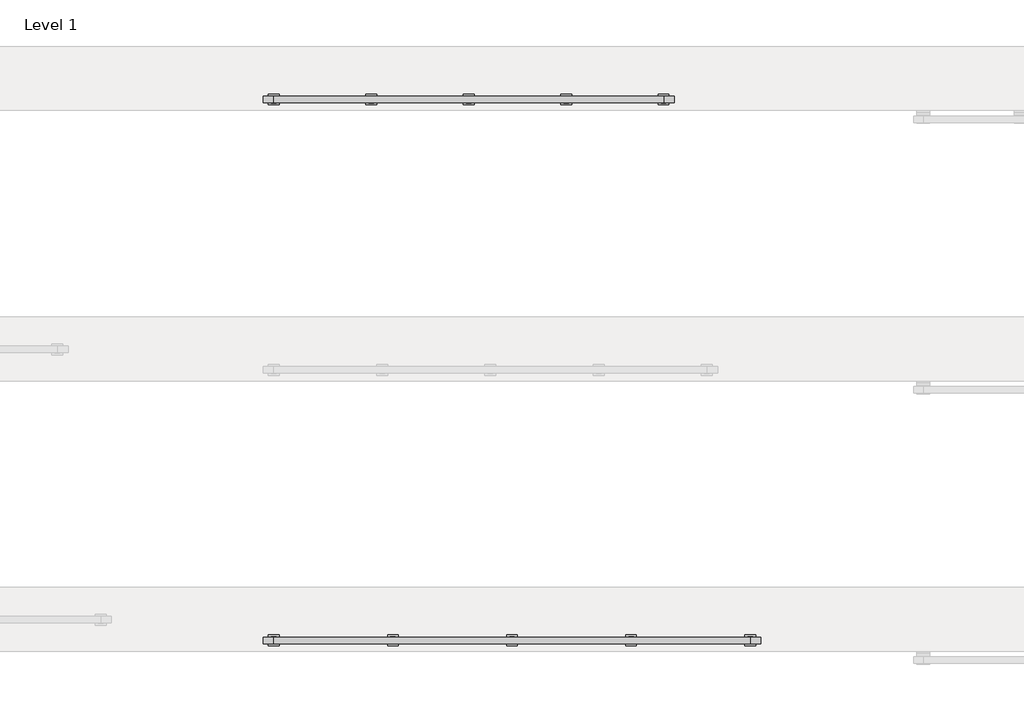
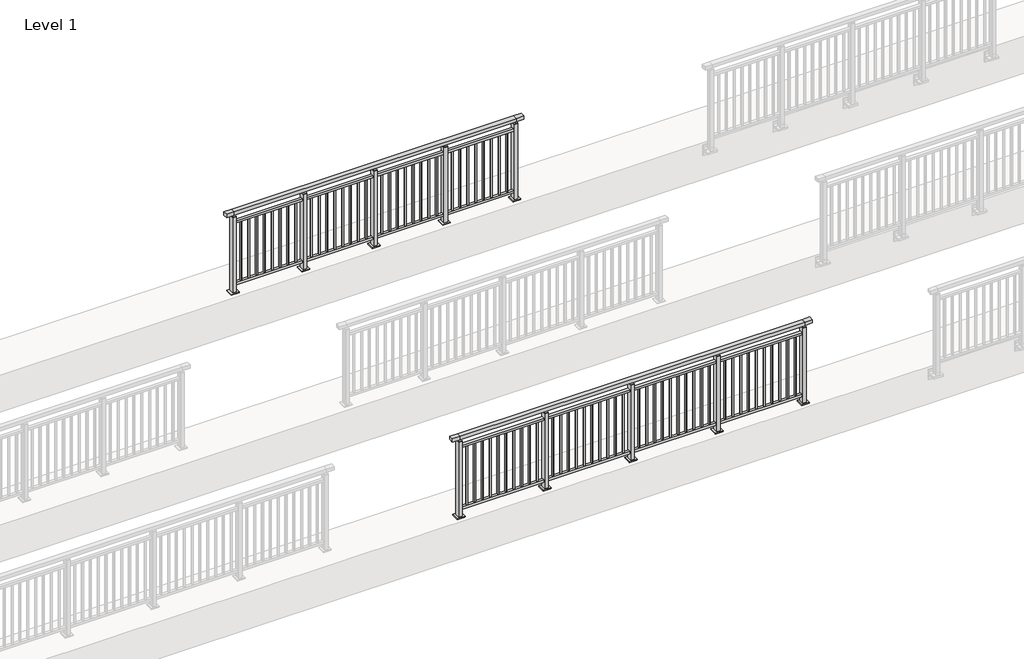
# One storey, part 5 of 37: 2 railings.
"""IFC4 building model written with IfcOpenShell, lengths in millimetres."""

from ifc_helpers import new_model, si_unit, frame, origin, origin_with_axes, place, context, project, spatial, polyline, outline, extrude, faceted_brep, element, save

model = new_model("IFC4")

# Units and contexts
model_context = context("Model", 3, world=origin())
ifc_project = project(units=[si_unit("LENGTHUNIT", "METRE", prefix="MILLI")], contexts=[model_context])

# Site, building, storey
site = spatial("IfcSite", under=ifc_project)
building = spatial("IfcBuilding", under=site)
storey = spatial("IfcBuildingStorey", under=building, Name="Level 1", Elevation=0.0)

# Railings
placement = place(None, origin())
element("IfcRailing", 1, at=placement, inside=storey, context=model_context, shape_type="SolidModel", body=[
    faceted_brep([(6000.0, 30.1846828, 1055.0), (6000.0, 30.1846828, 1100.0), (10400.0, 30.1846828, 1100.0), (10400.0, 30.1846828, 1055.0), (6000.0, -29.8153172, 1055.0), (10400.0, -29.8153172, 1055.0), (6000.0, -29.8153172, 1100.0), (10400.0, -29.8153172, 1100.0), (5900.0, 30.1846828, 1100.0), (5900.0, 30.1846828, 1055.0), (5900.0, -29.8153172, 1055.0), (5900.0, -29.8153172, 1100.0), (10500.0, 30.1846828, 1100.0), (10500.0, -29.8153172, 1100.0), (10500.0, -29.8153172, 1055.0), (10500.0, 30.1846828, 1055.0)], [[[0, 1, 2, 3]], [[4, 0, 3, 5]], [[6, 4, 5, 7]], [[1, 6, 7, 2]], [[8, 9, 10, 11]], [[9, 8, 1, 0]], [[10, 9, 0, 4]], [[11, 10, 4, 6]], [[8, 11, 6, 1]], [[12, 13, 14, 15]], [[3, 2, 12, 15]], [[5, 3, 15, 14]], [[7, 5, 14, 13]], [[2, 7, 13, 12]]]),
    extrude(outline(polyline([(6000.0, -17.3153172), (6000.0, 17.6846828), (10400.0, 17.6846828), (10400.0, -17.3153172), (6000.0, -17.3153172)])), frame((0.0, 0.0, 930.0), z_axis=(0.0, 0.0, 1.0), x_axis=(1.0, 0.0, 0.0)), (0.0, 0.0, 1.0), 30.0),
    extrude(outline(polyline([(6000.0, -17.3153172), (6000.0, 17.6846828), (10400.0, 17.6846828), (10400.0, -17.3153172), (6000.0, -17.3153172)])), frame((0.0, 0.0, 95.0), z_axis=(0.0, 0.0, 1.0), x_axis=(1.0, 0.0, 0.0)), (0.0, 0.0, 1.0), 30.0),
    extrude(outline(polyline([(10308.5, 8.6846828), (10308.5, -8.3153172), (10291.5, -8.3153172), (10291.5, 8.6846828), (10308.5, 8.6846828)])), frame((0.0, 0.0, 125.0), z_axis=(0.0, 0.0, 1.0), x_axis=(1.0, 0.0, 0.0)), (0.0, 0.0, 1.0), 805.0),
    extrude(outline(polyline([(10208.5, 8.6846828), (10208.5, -8.3153172), (10191.5, -8.3153172), (10191.5, 8.6846828), (10208.5, 8.6846828)])), frame((0.0, 0.0, 125.0), z_axis=(0.0, 0.0, 1.0), x_axis=(1.0, 0.0, 0.0)), (0.0, 0.0, 1.0), 805.0),
    extrude(outline(polyline([(10108.5, 8.6846828), (10108.5, -8.3153172), (10091.5, -8.3153172), (10091.5, 8.6846828), (10108.5, 8.6846828)])), frame((0.0, 0.0, 125.0), z_axis=(0.0, 0.0, 1.0), x_axis=(1.0, 0.0, 0.0)), (0.0, 0.0, 1.0), 805.0),
    extrude(outline(polyline([(10008.5, 8.6846828), (10008.5, -8.3153172), (9991.5, -8.3153172), (9991.5, 8.6846828), (10008.5, 8.6846828)])), frame((0.0, 0.0, 125.0), z_axis=(0.0, 0.0, 1.0), x_axis=(1.0, 0.0, 0.0)), (0.0, 0.0, 1.0), 805.0),
    extrude(outline(polyline([(9908.5, 8.6846828), (9908.5, -8.3153172), (9891.5, -8.3153172), (9891.5, 8.6846828), (9908.5, 8.6846828)])), frame((0.0, 0.0, 125.0), z_axis=(0.0, 0.0, 1.0), x_axis=(1.0, 0.0, 0.0)), (0.0, 0.0, 1.0), 805.0),
    extrude(outline(polyline([(9808.5, 8.6846828), (9808.5, -8.3153172), (9791.5, -8.3153172), (9791.5, 8.6846828), (9808.5, 8.6846828)])), frame((0.0, 0.0, 125.0), z_axis=(0.0, 0.0, 1.0), x_axis=(1.0, 0.0, 0.0)), (0.0, 0.0, 1.0), 805.0),
    extrude(outline(polyline([(9708.5, 8.6846828), (9708.5, -8.3153172), (9691.5, -8.3153172), (9691.5, 8.6846828), (9708.5, 8.6846828)])), frame((0.0, 0.0, 125.0), z_axis=(0.0, 0.0, 1.0), x_axis=(1.0, 0.0, 0.0)), (0.0, 0.0, 1.0), 805.0),
    extrude(outline(polyline([(9608.5, 8.6846828), (9608.5, -8.3153172), (9591.5, -8.3153172), (9591.5, 8.6846828), (9608.5, 8.6846828)])), frame((0.0, 0.0, 125.0), z_axis=(0.0, 0.0, 1.0), x_axis=(1.0, 0.0, 0.0)), (0.0, 0.0, 1.0), 805.0),
    extrude(outline(polyline([(9508.5, 8.6846828), (9508.5, -8.3153172), (9491.5, -8.3153172), (9491.5, 8.6846828), (9508.5, 8.6846828)])), frame((0.0, 0.0, 125.0), z_axis=(0.0, 0.0, 1.0), x_axis=(1.0, 0.0, 0.0)), (0.0, 0.0, 1.0), 805.0),
    extrude(outline(polyline([(9408.5, 8.6846828), (9408.5, -8.3153172), (9391.5, -8.3153172), (9391.5, 8.6846828), (9408.5, 8.6846828)])), frame((0.0, 0.0, 125.0), z_axis=(0.0, 0.0, 1.0), x_axis=(1.0, 0.0, 0.0)), (0.0, 0.0, 1.0), 805.0),
    extrude(outline(polyline([(9310.0, -9.8153172), (9290.0, -9.8153172), (9290.0, 10.1846828), (9310.0, 10.1846828), (9310.0, -9.8153172)])), frame((0.0, 0.0, 1035.0), z_axis=(0.0, 0.0, 1.0), x_axis=(1.0, 0.0, 0.0)), (0.0, 0.0, 1.0), 20.0),
    extrude(outline(polyline([(9322.5, -32.3153172), (9277.5, -32.3153172), (9277.5, 32.6846828), (9322.5, 32.6846828), (9322.5, -32.3153172)])), frame((0.0, 0.0, 1027.0), z_axis=(0.0, 0.0, 1.0), x_axis=(1.0, 0.0, 0.0)), (0.0, 0.0, 1.0), 8.0),
    extrude(outline(polyline([(9350.0, -49.8153172), (9250.0, -49.8153172), (9250.0, 50.1846828), (9350.0, 50.1846828), (9350.0, -49.8153172)])), origin_with_axes(), (0.0, 0.0, 1.0), 12.0),
    extrude(outline(polyline([(9322.5, -32.3153172), (9277.5, -32.3153172), (9277.5, 32.6846828), (9322.5, 32.6846828), (9322.5, -32.3153172)])), frame((0.0, 0.0, 12.0), z_axis=(0.0, 0.0, 1.0), x_axis=(1.0, 0.0, 0.0)), (0.0, 0.0, 1.0), 1015.0),
    extrude(outline(polyline([(9208.5, 8.6846828), (9208.5, -8.3153172), (9191.5, -8.3153172), (9191.5, 8.6846828), (9208.5, 8.6846828)])), frame((0.0, 0.0, 125.0), z_axis=(0.0, 0.0, 1.0), x_axis=(1.0, 0.0, 0.0)), (0.0, 0.0, 1.0), 805.0),
    extrude(outline(polyline([(9108.5, 8.6846828), (9108.5, -8.3153172), (9091.5, -8.3153172), (9091.5, 8.6846828), (9108.5, 8.6846828)])), frame((0.0, 0.0, 125.0), z_axis=(0.0, 0.0, 1.0), x_axis=(1.0, 0.0, 0.0)), (0.0, 0.0, 1.0), 805.0),
    extrude(outline(polyline([(9008.5, 8.6846828), (9008.5, -8.3153172), (8991.5, -8.3153172), (8991.5, 8.6846828), (9008.5, 8.6846828)])), frame((0.0, 0.0, 125.0), z_axis=(0.0, 0.0, 1.0), x_axis=(1.0, 0.0, 0.0)), (0.0, 0.0, 1.0), 805.0),
    extrude(outline(polyline([(8908.5, 8.6846828), (8908.5, -8.3153172), (8891.5, -8.3153172), (8891.5, 8.6846828), (8908.5, 8.6846828)])), frame((0.0, 0.0, 125.0), z_axis=(0.0, 0.0, 1.0), x_axis=(1.0, 0.0, 0.0)), (0.0, 0.0, 1.0), 805.0),
    extrude(outline(polyline([(8808.5, 8.6846828), (8808.5, -8.3153172), (8791.5, -8.3153172), (8791.5, 8.6846828), (8808.5, 8.6846828)])), frame((0.0, 0.0, 125.0), z_axis=(0.0, 0.0, 1.0), x_axis=(1.0, 0.0, 0.0)), (0.0, 0.0, 1.0), 805.0),
    extrude(outline(polyline([(8708.5, 8.6846828), (8708.5, -8.3153172), (8691.5, -8.3153172), (8691.5, 8.6846828), (8708.5, 8.6846828)])), frame((0.0, 0.0, 125.0), z_axis=(0.0, 0.0, 1.0), x_axis=(1.0, 0.0, 0.0)), (0.0, 0.0, 1.0), 805.0),
    extrude(outline(polyline([(8608.5, 8.6846828), (8608.5, -8.3153172), (8591.5, -8.3153172), (8591.5, 8.6846828), (8608.5, 8.6846828)])), frame((0.0, 0.0, 125.0), z_axis=(0.0, 0.0, 1.0), x_axis=(1.0, 0.0, 0.0)), (0.0, 0.0, 1.0), 805.0),
    extrude(outline(polyline([(8508.5, 8.6846828), (8508.5, -8.3153172), (8491.5, -8.3153172), (8491.5, 8.6846828), (8508.5, 8.6846828)])), frame((0.0, 0.0, 125.0), z_axis=(0.0, 0.0, 1.0), x_axis=(1.0, 0.0, 0.0)), (0.0, 0.0, 1.0), 805.0),
    extrude(outline(polyline([(8408.5, 8.6846828), (8408.5, -8.3153172), (8391.5, -8.3153172), (8391.5, 8.6846828), (8408.5, 8.6846828)])), frame((0.0, 0.0, 125.0), z_axis=(0.0, 0.0, 1.0), x_axis=(1.0, 0.0, 0.0)), (0.0, 0.0, 1.0), 805.0),
    extrude(outline(polyline([(8308.5, 8.6846828), (8308.5, -8.3153172), (8291.5, -8.3153172), (8291.5, 8.6846828), (8308.5, 8.6846828)])), frame((0.0, 0.0, 125.0), z_axis=(0.0, 0.0, 1.0), x_axis=(1.0, 0.0, 0.0)), (0.0, 0.0, 1.0), 805.0),
    extrude(outline(polyline([(8210.0, -9.8153172), (8190.0, -9.8153172), (8190.0, 10.1846828), (8210.0, 10.1846828), (8210.0, -9.8153172)])), frame((0.0, 0.0, 1035.0), z_axis=(0.0, 0.0, 1.0), x_axis=(1.0, 0.0, 0.0)), (0.0, 0.0, 1.0), 20.0),
    extrude(outline(polyline([(8222.5, -32.3153172), (8177.5, -32.3153172), (8177.5, 32.6846828), (8222.5, 32.6846828), (8222.5, -32.3153172)])), frame((0.0, 0.0, 1027.0), z_axis=(0.0, 0.0, 1.0), x_axis=(1.0, 0.0, 0.0)), (0.0, 0.0, 1.0), 8.0),
    extrude(outline(polyline([(8250.0, -49.8153172), (8150.0, -49.8153172), (8150.0, 50.1846828), (8250.0, 50.1846828), (8250.0, -49.8153172)])), origin_with_axes(), (0.0, 0.0, 1.0), 12.0),
    extrude(outline(polyline([(8222.5, -32.3153172), (8177.5, -32.3153172), (8177.5, 32.6846828), (8222.5, 32.6846828), (8222.5, -32.3153172)])), frame((0.0, 0.0, 12.0), z_axis=(0.0, 0.0, 1.0), x_axis=(1.0, 0.0, 0.0)), (0.0, 0.0, 1.0), 1015.0),
    extrude(outline(polyline([(8108.5, 8.6846828), (8108.5, -8.3153172), (8091.5, -8.3153172), (8091.5, 8.6846828), (8108.5, 8.6846828)])), frame((0.0, 0.0, 125.0), z_axis=(0.0, 0.0, 1.0), x_axis=(1.0, 0.0, 0.0)), (0.0, 0.0, 1.0), 805.0),
    extrude(outline(polyline([(8008.5, 8.6846828), (8008.5, -8.3153172), (7991.5, -8.3153172), (7991.5, 8.6846828), (8008.5, 8.6846828)])), frame((0.0, 0.0, 125.0), z_axis=(0.0, 0.0, 1.0), x_axis=(1.0, 0.0, 0.0)), (0.0, 0.0, 1.0), 805.0),
    extrude(outline(polyline([(7908.5, 8.6846828), (7908.5, -8.3153172), (7891.5, -8.3153172), (7891.5, 8.6846828), (7908.5, 8.6846828)])), frame((0.0, 0.0, 125.0), z_axis=(0.0, 0.0, 1.0), x_axis=(1.0, 0.0, 0.0)), (0.0, 0.0, 1.0), 805.0),
    extrude(outline(polyline([(7808.5, 8.6846828), (7808.5, -8.3153172), (7791.5, -8.3153172), (7791.5, 8.6846828), (7808.5, 8.6846828)])), frame((0.0, 0.0, 125.0), z_axis=(0.0, 0.0, 1.0), x_axis=(1.0, 0.0, 0.0)), (0.0, 0.0, 1.0), 805.0),
    extrude(outline(polyline([(7708.5, 8.6846828), (7708.5, -8.3153172), (7691.5, -8.3153172), (7691.5, 8.6846828), (7708.5, 8.6846828)])), frame((0.0, 0.0, 125.0), z_axis=(0.0, 0.0, 1.0), x_axis=(1.0, 0.0, 0.0)), (0.0, 0.0, 1.0), 805.0),
    extrude(outline(polyline([(7608.5, 8.6846828), (7608.5, -8.3153172), (7591.5, -8.3153172), (7591.5, 8.6846828), (7608.5, 8.6846828)])), frame((0.0, 0.0, 125.0), z_axis=(0.0, 0.0, 1.0), x_axis=(1.0, 0.0, 0.0)), (0.0, 0.0, 1.0), 805.0),
    extrude(outline(polyline([(7508.5, 8.6846828), (7508.5, -8.3153172), (7491.5, -8.3153172), (7491.5, 8.6846828), (7508.5, 8.6846828)])), frame((0.0, 0.0, 125.0), z_axis=(0.0, 0.0, 1.0), x_axis=(1.0, 0.0, 0.0)), (0.0, 0.0, 1.0), 805.0),
    extrude(outline(polyline([(7408.5, 8.6846828), (7408.5, -8.3153172), (7391.5, -8.3153172), (7391.5, 8.6846828), (7408.5, 8.6846828)])), frame((0.0, 0.0, 125.0), z_axis=(0.0, 0.0, 1.0), x_axis=(1.0, 0.0, 0.0)), (0.0, 0.0, 1.0), 805.0),
    extrude(outline(polyline([(7308.5, 8.6846828), (7308.5, -8.3153172), (7291.5, -8.3153172), (7291.5, 8.6846828), (7308.5, 8.6846828)])), frame((0.0, 0.0, 125.0), z_axis=(0.0, 0.0, 1.0), x_axis=(1.0, 0.0, 0.0)), (0.0, 0.0, 1.0), 805.0),
    extrude(outline(polyline([(7208.5, 8.6846828), (7208.5, -8.3153172), (7191.5, -8.3153172), (7191.5, 8.6846828), (7208.5, 8.6846828)])), frame((0.0, 0.0, 125.0), z_axis=(0.0, 0.0, 1.0), x_axis=(1.0, 0.0, 0.0)), (0.0, 0.0, 1.0), 805.0),
    extrude(outline(polyline([(7110.0, -9.8153172), (7090.0, -9.8153172), (7090.0, 10.1846828), (7110.0, 10.1846828), (7110.0, -9.8153172)])), frame((0.0, 0.0, 1035.0), z_axis=(0.0, 0.0, 1.0), x_axis=(1.0, 0.0, 0.0)), (0.0, 0.0, 1.0), 20.0),
    extrude(outline(polyline([(7122.5, -32.3153172), (7077.5, -32.3153172), (7077.5, 32.6846828), (7122.5, 32.6846828), (7122.5, -32.3153172)])), frame((0.0, 0.0, 1027.0), z_axis=(0.0, 0.0, 1.0), x_axis=(1.0, 0.0, 0.0)), (0.0, 0.0, 1.0), 8.0),
    extrude(outline(polyline([(7150.0, -49.8153172), (7050.0, -49.8153172), (7050.0, 50.1846828), (7150.0, 50.1846828), (7150.0, -49.8153172)])), origin_with_axes(), (0.0, 0.0, 1.0), 12.0),
    extrude(outline(polyline([(7122.5, -32.3153172), (7077.5, -32.3153172), (7077.5, 32.6846828), (7122.5, 32.6846828), (7122.5, -32.3153172)])), frame((0.0, 0.0, 12.0), z_axis=(0.0, 0.0, 1.0), x_axis=(1.0, 0.0, 0.0)), (0.0, 0.0, 1.0), 1015.0),
    extrude(outline(polyline([(7008.5, 8.6846828), (7008.5, -8.3153172), (6991.5, -8.3153172), (6991.5, 8.6846828), (7008.5, 8.6846828)])), frame((0.0, 0.0, 125.0), z_axis=(0.0, 0.0, 1.0), x_axis=(1.0, 0.0, 0.0)), (0.0, 0.0, 1.0), 805.0),
    extrude(outline(polyline([(6908.5, 8.6846828), (6908.5, -8.3153172), (6891.5, -8.3153172), (6891.5, 8.6846828), (6908.5, 8.6846828)])), frame((0.0, 0.0, 125.0), z_axis=(0.0, 0.0, 1.0), x_axis=(1.0, 0.0, 0.0)), (0.0, 0.0, 1.0), 805.0),
    extrude(outline(polyline([(6808.5, 8.6846828), (6808.5, -8.3153172), (6791.5, -8.3153172), (6791.5, 8.6846828), (6808.5, 8.6846828)])), frame((0.0, 0.0, 125.0), z_axis=(0.0, 0.0, 1.0), x_axis=(1.0, 0.0, 0.0)), (0.0, 0.0, 1.0), 805.0),
    extrude(outline(polyline([(6708.5, 8.6846828), (6708.5, -8.3153172), (6691.5, -8.3153172), (6691.5, 8.6846828), (6708.5, 8.6846828)])), frame((0.0, 0.0, 125.0), z_axis=(0.0, 0.0, 1.0), x_axis=(1.0, 0.0, 0.0)), (0.0, 0.0, 1.0), 805.0),
    extrude(outline(polyline([(6608.5, 8.6846828), (6608.5, -8.3153172), (6591.5, -8.3153172), (6591.5, 8.6846828), (6608.5, 8.6846828)])), frame((0.0, 0.0, 125.0), z_axis=(0.0, 0.0, 1.0), x_axis=(1.0, 0.0, 0.0)), (0.0, 0.0, 1.0), 805.0),
    extrude(outline(polyline([(6508.5, 8.6846828), (6508.5, -8.3153172), (6491.5, -8.3153172), (6491.5, 8.6846828), (6508.5, 8.6846828)])), frame((0.0, 0.0, 125.0), z_axis=(0.0, 0.0, 1.0), x_axis=(1.0, 0.0, 0.0)), (0.0, 0.0, 1.0), 805.0),
    extrude(outline(polyline([(6408.5, 8.6846828), (6408.5, -8.3153172), (6391.5, -8.3153172), (6391.5, 8.6846828), (6408.5, 8.6846828)])), frame((0.0, 0.0, 125.0), z_axis=(0.0, 0.0, 1.0), x_axis=(1.0, 0.0, 0.0)), (0.0, 0.0, 1.0), 805.0),
    extrude(outline(polyline([(6308.5, 8.6846828), (6308.5, -8.3153172), (6291.5, -8.3153172), (6291.5, 8.6846828), (6308.5, 8.6846828)])), frame((0.0, 0.0, 125.0), z_axis=(0.0, 0.0, 1.0), x_axis=(1.0, 0.0, 0.0)), (0.0, 0.0, 1.0), 805.0),
    extrude(outline(polyline([(6208.5, 8.6846828), (6208.5, -8.3153172), (6191.5, -8.3153172), (6191.5, 8.6846828), (6208.5, 8.6846828)])), frame((0.0, 0.0, 125.0), z_axis=(0.0, 0.0, 1.0), x_axis=(1.0, 0.0, 0.0)), (0.0, 0.0, 1.0), 805.0),
    extrude(outline(polyline([(6108.5, 8.6846828), (6108.5, -8.3153172), (6091.5, -8.3153172), (6091.5, 8.6846828), (6108.5, 8.6846828)])), frame((0.0, 0.0, 125.0), z_axis=(0.0, 0.0, 1.0), x_axis=(1.0, 0.0, 0.0)), (0.0, 0.0, 1.0), 805.0),
    extrude(outline(polyline([(10410.0, -9.8153172), (10390.0, -9.8153172), (10390.0, 10.1846828), (10410.0, 10.1846828), (10410.0, -9.8153172)])), frame((0.0, 0.0, 1035.0), z_axis=(0.0, 0.0, 1.0), x_axis=(1.0, 0.0, 0.0)), (0.0, 0.0, 1.0), 20.0),
    extrude(outline(polyline([(10422.5, -32.3153172), (10377.5, -32.3153172), (10377.5, 32.6846828), (10422.5, 32.6846828), (10422.5, -32.3153172)])), frame((0.0, 0.0, 1027.0), z_axis=(0.0, 0.0, 1.0), x_axis=(1.0, 0.0, 0.0)), (0.0, 0.0, 1.0), 8.0),
    extrude(outline(polyline([(10450.0, -49.8153172), (10350.0, -49.8153172), (10350.0, 50.1846828), (10450.0, 50.1846828), (10450.0, -49.8153172)])), origin_with_axes(), (0.0, 0.0, 1.0), 12.0),
    extrude(outline(polyline([(10422.5, -32.3153172), (10377.5, -32.3153172), (10377.5, 32.6846828), (10422.5, 32.6846828), (10422.5, -32.3153172)])), frame((0.0, 0.0, 12.0), z_axis=(0.0, 0.0, 1.0), x_axis=(1.0, 0.0, 0.0)), (0.0, 0.0, 1.0), 1015.0),
    extrude(outline(polyline([(6010.0, -9.8153172), (5990.0, -9.8153172), (5990.0, 10.1846828), (6010.0, 10.1846828), (6010.0, -9.8153172)])), frame((0.0, 0.0, 1035.0), z_axis=(0.0, 0.0, 1.0), x_axis=(1.0, 0.0, 0.0)), (0.0, 0.0, 1.0), 20.0),
    extrude(outline(polyline([(6022.5, -32.3153172), (5977.5, -32.3153172), (5977.5, 32.6846828), (6022.5, 32.6846828), (6022.5, -32.3153172)])), frame((0.0, 0.0, 1027.0), z_axis=(0.0, 0.0, 1.0), x_axis=(1.0, 0.0, 0.0)), (0.0, 0.0, 1.0), 8.0),
    extrude(outline(polyline([(6050.0, -49.8153172), (5950.0, -49.8153172), (5950.0, 50.1846828), (6050.0, 50.1846828), (6050.0, -49.8153172)])), origin_with_axes(), (0.0, 0.0, 1.0), 12.0),
    extrude(outline(polyline([(6022.5, -32.3153172), (5977.5, -32.3153172), (5977.5, 32.6846828), (6022.5, 32.6846828), (6022.5, -32.3153172)])), frame((0.0, 0.0, 12.0), z_axis=(0.0, 0.0, 1.0), x_axis=(1.0, 0.0, 0.0)), (0.0, 0.0, 1.0), 1015.0),
])
element("IfcRailing", 2, at=placement, inside=storey, context=model_context, shape_type="SolidModel", body=[
    faceted_brep([(6000.0, 5030.1846828, 1055.0), (6000.0, 5030.1846828, 1100.0), (9600.0, 5030.1846828, 1100.0), (9600.0, 5030.1846828, 1055.0), (6000.0, 4970.1846828, 1055.0), (9600.0, 4970.1846828, 1055.0), (6000.0, 4970.1846828, 1100.0), (9600.0, 4970.1846828, 1100.0), (5900.0, 5030.1846828, 1100.0), (5900.0, 5030.1846828, 1055.0), (5900.0, 4970.1846828, 1055.0), (5900.0, 4970.1846828, 1100.0), (9700.0, 5030.1846828, 1100.0), (9700.0, 4970.1846828, 1100.0), (9700.0, 4970.1846828, 1055.0), (9700.0, 5030.1846828, 1055.0)], [[[0, 1, 2, 3]], [[4, 0, 3, 5]], [[6, 4, 5, 7]], [[1, 6, 7, 2]], [[8, 9, 10, 11]], [[9, 8, 1, 0]], [[10, 9, 0, 4]], [[11, 10, 4, 6]], [[8, 11, 6, 1]], [[12, 13, 14, 15]], [[3, 2, 12, 15]], [[5, 3, 15, 14]], [[7, 5, 14, 13]], [[2, 7, 13, 12]]]),
    extrude(outline(polyline([(6000.0, 4982.6846828), (6000.0, 5017.6846828), (9600.0, 5017.6846828), (9600.0, 4982.6846828), (6000.0, 4982.6846828)])), frame((0.0, 0.0, 930.0), z_axis=(0.0, 0.0, 1.0), x_axis=(1.0, 0.0, 0.0)), (0.0, 0.0, 1.0), 30.0),
    extrude(outline(polyline([(6000.0, 4982.6846828), (6000.0, 5017.6846828), (9600.0, 5017.6846828), (9600.0, 4982.6846828), (6000.0, 4982.6846828)])), frame((0.0, 0.0, 95.0), z_axis=(0.0, 0.0, 1.0), x_axis=(1.0, 0.0, 0.0)), (0.0, 0.0, 1.0), 30.0),
    extrude(outline(polyline([(9508.5, 5008.6846828), (9508.5, 4991.6846828), (9491.5, 4991.6846828), (9491.5, 5008.6846828), (9508.5, 5008.6846828)])), frame((0.0, 0.0, 125.0), z_axis=(0.0, 0.0, 1.0), x_axis=(1.0, 0.0, 0.0)), (0.0, 0.0, 1.0), 805.0),
    extrude(outline(polyline([(9408.5, 5008.6846828), (9408.5, 4991.6846828), (9391.5, 4991.6846828), (9391.5, 5008.6846828), (9408.5, 5008.6846828)])), frame((0.0, 0.0, 125.0), z_axis=(0.0, 0.0, 1.0), x_axis=(1.0, 0.0, 0.0)), (0.0, 0.0, 1.0), 805.0),
    extrude(outline(polyline([(9308.5, 5008.6846828), (9308.5, 4991.6846828), (9291.5, 4991.6846828), (9291.5, 5008.6846828), (9308.5, 5008.6846828)])), frame((0.0, 0.0, 125.0), z_axis=(0.0, 0.0, 1.0), x_axis=(1.0, 0.0, 0.0)), (0.0, 0.0, 1.0), 805.0),
    extrude(outline(polyline([(9208.5, 5008.6846828), (9208.5, 4991.6846828), (9191.5, 4991.6846828), (9191.5, 5008.6846828), (9208.5, 5008.6846828)])), frame((0.0, 0.0, 125.0), z_axis=(0.0, 0.0, 1.0), x_axis=(1.0, 0.0, 0.0)), (0.0, 0.0, 1.0), 805.0),
    extrude(outline(polyline([(9108.5, 5008.6846828), (9108.5, 4991.6846828), (9091.5, 4991.6846828), (9091.5, 5008.6846828), (9108.5, 5008.6846828)])), frame((0.0, 0.0, 125.0), z_axis=(0.0, 0.0, 1.0), x_axis=(1.0, 0.0, 0.0)), (0.0, 0.0, 1.0), 805.0),
    extrude(outline(polyline([(9008.5, 5008.6846828), (9008.5, 4991.6846828), (8991.5, 4991.6846828), (8991.5, 5008.6846828), (9008.5, 5008.6846828)])), frame((0.0, 0.0, 125.0), z_axis=(0.0, 0.0, 1.0), x_axis=(1.0, 0.0, 0.0)), (0.0, 0.0, 1.0), 805.0),
    extrude(outline(polyline([(8908.5, 5008.6846828), (8908.5, 4991.6846828), (8891.5, 4991.6846828), (8891.5, 5008.6846828), (8908.5, 5008.6846828)])), frame((0.0, 0.0, 125.0), z_axis=(0.0, 0.0, 1.0), x_axis=(1.0, 0.0, 0.0)), (0.0, 0.0, 1.0), 805.0),
    extrude(outline(polyline([(8808.5, 5008.6846828), (8808.5, 4991.6846828), (8791.5, 4991.6846828), (8791.5, 5008.6846828), (8808.5, 5008.6846828)])), frame((0.0, 0.0, 125.0), z_axis=(0.0, 0.0, 1.0), x_axis=(1.0, 0.0, 0.0)), (0.0, 0.0, 1.0), 805.0),
    extrude(outline(polyline([(8710.0, 4990.1846828), (8690.0, 4990.1846828), (8690.0, 5010.1846828), (8710.0, 5010.1846828), (8710.0, 4990.1846828)])), frame((0.0, 0.0, 1035.0), z_axis=(0.0, 0.0, 1.0), x_axis=(1.0, 0.0, 0.0)), (0.0, 0.0, 1.0), 20.0),
    extrude(outline(polyline([(8722.5, 4967.6846828), (8677.5, 4967.6846828), (8677.5, 5032.6846828), (8722.5, 5032.6846828), (8722.5, 4967.6846828)])), frame((0.0, 0.0, 1027.0), z_axis=(0.0, 0.0, 1.0), x_axis=(1.0, 0.0, 0.0)), (0.0, 0.0, 1.0), 8.0),
    extrude(outline(polyline([(8750.0, 4950.1846828), (8650.0, 4950.1846828), (8650.0, 5050.1846828), (8750.0, 5050.1846828), (8750.0, 4950.1846828)])), origin_with_axes(), (0.0, 0.0, 1.0), 12.0),
    extrude(outline(polyline([(8722.5, 4967.6846828), (8677.5, 4967.6846828), (8677.5, 5032.6846828), (8722.5, 5032.6846828), (8722.5, 4967.6846828)])), frame((0.0, 0.0, 12.0), z_axis=(0.0, 0.0, 1.0), x_axis=(1.0, 0.0, 0.0)), (0.0, 0.0, 1.0), 1015.0),
    extrude(outline(polyline([(8608.5, 5008.6846828), (8608.5, 4991.6846828), (8591.5, 4991.6846828), (8591.5, 5008.6846828), (8608.5, 5008.6846828)])), frame((0.0, 0.0, 125.0), z_axis=(0.0, 0.0, 1.0), x_axis=(1.0, 0.0, 0.0)), (0.0, 0.0, 1.0), 805.0),
    extrude(outline(polyline([(8508.5, 5008.6846828), (8508.5, 4991.6846828), (8491.5, 4991.6846828), (8491.5, 5008.6846828), (8508.5, 5008.6846828)])), frame((0.0, 0.0, 125.0), z_axis=(0.0, 0.0, 1.0), x_axis=(1.0, 0.0, 0.0)), (0.0, 0.0, 1.0), 805.0),
    extrude(outline(polyline([(8408.5, 5008.6846828), (8408.5, 4991.6846828), (8391.5, 4991.6846828), (8391.5, 5008.6846828), (8408.5, 5008.6846828)])), frame((0.0, 0.0, 125.0), z_axis=(0.0, 0.0, 1.0), x_axis=(1.0, 0.0, 0.0)), (0.0, 0.0, 1.0), 805.0),
    extrude(outline(polyline([(8308.5, 5008.6846828), (8308.5, 4991.6846828), (8291.5, 4991.6846828), (8291.5, 5008.6846828), (8308.5, 5008.6846828)])), frame((0.0, 0.0, 125.0), z_axis=(0.0, 0.0, 1.0), x_axis=(1.0, 0.0, 0.0)), (0.0, 0.0, 1.0), 805.0),
    extrude(outline(polyline([(8208.5, 5008.6846828), (8208.5, 4991.6846828), (8191.5, 4991.6846828), (8191.5, 5008.6846828), (8208.5, 5008.6846828)])), frame((0.0, 0.0, 125.0), z_axis=(0.0, 0.0, 1.0), x_axis=(1.0, 0.0, 0.0)), (0.0, 0.0, 1.0), 805.0),
    extrude(outline(polyline([(8108.5, 5008.6846828), (8108.5, 4991.6846828), (8091.5, 4991.6846828), (8091.5, 5008.6846828), (8108.5, 5008.6846828)])), frame((0.0, 0.0, 125.0), z_axis=(0.0, 0.0, 1.0), x_axis=(1.0, 0.0, 0.0)), (0.0, 0.0, 1.0), 805.0),
    extrude(outline(polyline([(8008.5, 5008.6846828), (8008.5, 4991.6846828), (7991.5, 4991.6846828), (7991.5, 5008.6846828), (8008.5, 5008.6846828)])), frame((0.0, 0.0, 125.0), z_axis=(0.0, 0.0, 1.0), x_axis=(1.0, 0.0, 0.0)), (0.0, 0.0, 1.0), 805.0),
    extrude(outline(polyline([(7908.5, 5008.6846828), (7908.5, 4991.6846828), (7891.5, 4991.6846828), (7891.5, 5008.6846828), (7908.5, 5008.6846828)])), frame((0.0, 0.0, 125.0), z_axis=(0.0, 0.0, 1.0), x_axis=(1.0, 0.0, 0.0)), (0.0, 0.0, 1.0), 805.0),
    extrude(outline(polyline([(7810.0, 4990.1846828), (7790.0, 4990.1846828), (7790.0, 5010.1846828), (7810.0, 5010.1846828), (7810.0, 4990.1846828)])), frame((0.0, 0.0, 1035.0), z_axis=(0.0, 0.0, 1.0), x_axis=(1.0, 0.0, 0.0)), (0.0, 0.0, 1.0), 20.0),
    extrude(outline(polyline([(7822.5, 4967.6846828), (7777.5, 4967.6846828), (7777.5, 5032.6846828), (7822.5, 5032.6846828), (7822.5, 4967.6846828)])), frame((0.0, 0.0, 1027.0), z_axis=(0.0, 0.0, 1.0), x_axis=(1.0, 0.0, 0.0)), (0.0, 0.0, 1.0), 8.0),
    extrude(outline(polyline([(7850.0, 4950.1846828), (7750.0, 4950.1846828), (7750.0, 5050.1846828), (7850.0, 5050.1846828), (7850.0, 4950.1846828)])), origin_with_axes(), (0.0, 0.0, 1.0), 12.0),
    extrude(outline(polyline([(7822.5, 4967.6846828), (7777.5, 4967.6846828), (7777.5, 5032.6846828), (7822.5, 5032.6846828), (7822.5, 4967.6846828)])), frame((0.0, 0.0, 12.0), z_axis=(0.0, 0.0, 1.0), x_axis=(1.0, 0.0, 0.0)), (0.0, 0.0, 1.0), 1015.0),
    extrude(outline(polyline([(7708.5, 5008.6846828), (7708.5, 4991.6846828), (7691.5, 4991.6846828), (7691.5, 5008.6846828), (7708.5, 5008.6846828)])), frame((0.0, 0.0, 125.0), z_axis=(0.0, 0.0, 1.0), x_axis=(1.0, 0.0, 0.0)), (0.0, 0.0, 1.0), 805.0),
    extrude(outline(polyline([(7608.5, 5008.6846828), (7608.5, 4991.6846828), (7591.5, 4991.6846828), (7591.5, 5008.6846828), (7608.5, 5008.6846828)])), frame((0.0, 0.0, 125.0), z_axis=(0.0, 0.0, 1.0), x_axis=(1.0, 0.0, 0.0)), (0.0, 0.0, 1.0), 805.0),
    extrude(outline(polyline([(7508.5, 5008.6846828), (7508.5, 4991.6846828), (7491.5, 4991.6846828), (7491.5, 5008.6846828), (7508.5, 5008.6846828)])), frame((0.0, 0.0, 125.0), z_axis=(0.0, 0.0, 1.0), x_axis=(1.0, 0.0, 0.0)), (0.0, 0.0, 1.0), 805.0),
    extrude(outline(polyline([(7408.5, 5008.6846828), (7408.5, 4991.6846828), (7391.5, 4991.6846828), (7391.5, 5008.6846828), (7408.5, 5008.6846828)])), frame((0.0, 0.0, 125.0), z_axis=(0.0, 0.0, 1.0), x_axis=(1.0, 0.0, 0.0)), (0.0, 0.0, 1.0), 805.0),
    extrude(outline(polyline([(7308.5, 5008.6846828), (7308.5, 4991.6846828), (7291.5, 4991.6846828), (7291.5, 5008.6846828), (7308.5, 5008.6846828)])), frame((0.0, 0.0, 125.0), z_axis=(0.0, 0.0, 1.0), x_axis=(1.0, 0.0, 0.0)), (0.0, 0.0, 1.0), 805.0),
    extrude(outline(polyline([(7208.5, 5008.6846828), (7208.5, 4991.6846828), (7191.5, 4991.6846828), (7191.5, 5008.6846828), (7208.5, 5008.6846828)])), frame((0.0, 0.0, 125.0), z_axis=(0.0, 0.0, 1.0), x_axis=(1.0, 0.0, 0.0)), (0.0, 0.0, 1.0), 805.0),
    extrude(outline(polyline([(7108.5, 5008.6846828), (7108.5, 4991.6846828), (7091.5, 4991.6846828), (7091.5, 5008.6846828), (7108.5, 5008.6846828)])), frame((0.0, 0.0, 125.0), z_axis=(0.0, 0.0, 1.0), x_axis=(1.0, 0.0, 0.0)), (0.0, 0.0, 1.0), 805.0),
    extrude(outline(polyline([(7008.5, 5008.6846828), (7008.5, 4991.6846828), (6991.5, 4991.6846828), (6991.5, 5008.6846828), (7008.5, 5008.6846828)])), frame((0.0, 0.0, 125.0), z_axis=(0.0, 0.0, 1.0), x_axis=(1.0, 0.0, 0.0)), (0.0, 0.0, 1.0), 805.0),
    extrude(outline(polyline([(6910.0, 4990.1846828), (6890.0, 4990.1846828), (6890.0, 5010.1846828), (6910.0, 5010.1846828), (6910.0, 4990.1846828)])), frame((0.0, 0.0, 1035.0), z_axis=(0.0, 0.0, 1.0), x_axis=(1.0, 0.0, 0.0)), (0.0, 0.0, 1.0), 20.0),
    extrude(outline(polyline([(6922.5, 4967.6846828), (6877.5, 4967.6846828), (6877.5, 5032.6846828), (6922.5, 5032.6846828), (6922.5, 4967.6846828)])), frame((0.0, 0.0, 1027.0), z_axis=(0.0, 0.0, 1.0), x_axis=(1.0, 0.0, 0.0)), (0.0, 0.0, 1.0), 8.0),
    extrude(outline(polyline([(6950.0, 4950.1846828), (6850.0, 4950.1846828), (6850.0, 5050.1846828), (6950.0, 5050.1846828), (6950.0, 4950.1846828)])), origin_with_axes(), (0.0, 0.0, 1.0), 12.0),
    extrude(outline(polyline([(6922.5, 4967.6846828), (6877.5, 4967.6846828), (6877.5, 5032.6846828), (6922.5, 5032.6846828), (6922.5, 4967.6846828)])), frame((0.0, 0.0, 12.0), z_axis=(0.0, 0.0, 1.0), x_axis=(1.0, 0.0, 0.0)), (0.0, 0.0, 1.0), 1015.0),
    extrude(outline(polyline([(6808.5, 5008.6846828), (6808.5, 4991.6846828), (6791.5, 4991.6846828), (6791.5, 5008.6846828), (6808.5, 5008.6846828)])), frame((0.0, 0.0, 125.0), z_axis=(0.0, 0.0, 1.0), x_axis=(1.0, 0.0, 0.0)), (0.0, 0.0, 1.0), 805.0),
    extrude(outline(polyline([(6708.5, 5008.6846828), (6708.5, 4991.6846828), (6691.5, 4991.6846828), (6691.5, 5008.6846828), (6708.5, 5008.6846828)])), frame((0.0, 0.0, 125.0), z_axis=(0.0, 0.0, 1.0), x_axis=(1.0, 0.0, 0.0)), (0.0, 0.0, 1.0), 805.0),
    extrude(outline(polyline([(6608.5, 5008.6846828), (6608.5, 4991.6846828), (6591.5, 4991.6846828), (6591.5, 5008.6846828), (6608.5, 5008.6846828)])), frame((0.0, 0.0, 125.0), z_axis=(0.0, 0.0, 1.0), x_axis=(1.0, 0.0, 0.0)), (0.0, 0.0, 1.0), 805.0),
    extrude(outline(polyline([(6508.5, 5008.6846828), (6508.5, 4991.6846828), (6491.5, 4991.6846828), (6491.5, 5008.6846828), (6508.5, 5008.6846828)])), frame((0.0, 0.0, 125.0), z_axis=(0.0, 0.0, 1.0), x_axis=(1.0, 0.0, 0.0)), (0.0, 0.0, 1.0), 805.0),
    extrude(outline(polyline([(6408.5, 5008.6846828), (6408.5, 4991.6846828), (6391.5, 4991.6846828), (6391.5, 5008.6846828), (6408.5, 5008.6846828)])), frame((0.0, 0.0, 125.0), z_axis=(0.0, 0.0, 1.0), x_axis=(1.0, 0.0, 0.0)), (0.0, 0.0, 1.0), 805.0),
    extrude(outline(polyline([(6308.5, 5008.6846828), (6308.5, 4991.6846828), (6291.5, 4991.6846828), (6291.5, 5008.6846828), (6308.5, 5008.6846828)])), frame((0.0, 0.0, 125.0), z_axis=(0.0, 0.0, 1.0), x_axis=(1.0, 0.0, 0.0)), (0.0, 0.0, 1.0), 805.0),
    extrude(outline(polyline([(6208.5, 5008.6846828), (6208.5, 4991.6846828), (6191.5, 4991.6846828), (6191.5, 5008.6846828), (6208.5, 5008.6846828)])), frame((0.0, 0.0, 125.0), z_axis=(0.0, 0.0, 1.0), x_axis=(1.0, 0.0, 0.0)), (0.0, 0.0, 1.0), 805.0),
    extrude(outline(polyline([(6108.5, 5008.6846828), (6108.5, 4991.6846828), (6091.5, 4991.6846828), (6091.5, 5008.6846828), (6108.5, 5008.6846828)])), frame((0.0, 0.0, 125.0), z_axis=(0.0, 0.0, 1.0), x_axis=(1.0, 0.0, 0.0)), (0.0, 0.0, 1.0), 805.0),
    extrude(outline(polyline([(9610.0, 4990.1846828), (9590.0, 4990.1846828), (9590.0, 5010.1846828), (9610.0, 5010.1846828), (9610.0, 4990.1846828)])), frame((0.0, 0.0, 1035.0), z_axis=(0.0, 0.0, 1.0), x_axis=(1.0, 0.0, 0.0)), (0.0, 0.0, 1.0), 20.0),
    extrude(outline(polyline([(9622.5, 4967.6846828), (9577.5, 4967.6846828), (9577.5, 5032.6846828), (9622.5, 5032.6846828), (9622.5, 4967.6846828)])), frame((0.0, 0.0, 1027.0), z_axis=(0.0, 0.0, 1.0), x_axis=(1.0, 0.0, 0.0)), (0.0, 0.0, 1.0), 8.0),
    extrude(outline(polyline([(9650.0, 4950.1846828), (9550.0, 4950.1846828), (9550.0, 5050.1846828), (9650.0, 5050.1846828), (9650.0, 4950.1846828)])), origin_with_axes(), (0.0, 0.0, 1.0), 12.0),
    extrude(outline(polyline([(9622.5, 4967.6846828), (9577.5, 4967.6846828), (9577.5, 5032.6846828), (9622.5, 5032.6846828), (9622.5, 4967.6846828)])), frame((0.0, 0.0, 12.0), z_axis=(0.0, 0.0, 1.0), x_axis=(1.0, 0.0, 0.0)), (0.0, 0.0, 1.0), 1015.0),
    extrude(outline(polyline([(6010.0, 4990.1846828), (5990.0, 4990.1846828), (5990.0, 5010.1846828), (6010.0, 5010.1846828), (6010.0, 4990.1846828)])), frame((0.0, 0.0, 1035.0), z_axis=(0.0, 0.0, 1.0), x_axis=(1.0, 0.0, 0.0)), (0.0, 0.0, 1.0), 20.0),
    extrude(outline(polyline([(6022.5, 4967.6846828), (5977.5, 4967.6846828), (5977.5, 5032.6846828), (6022.5, 5032.6846828), (6022.5, 4967.6846828)])), frame((0.0, 0.0, 1027.0), z_axis=(0.0, 0.0, 1.0), x_axis=(1.0, 0.0, 0.0)), (0.0, 0.0, 1.0), 8.0),
    extrude(outline(polyline([(6050.0, 4950.1846828), (5950.0, 4950.1846828), (5950.0, 5050.1846828), (6050.0, 5050.1846828), (6050.0, 4950.1846828)])), origin_with_axes(), (0.0, 0.0, 1.0), 12.0),
    extrude(outline(polyline([(6022.5, 4967.6846828), (5977.5, 4967.6846828), (5977.5, 5032.6846828), (6022.5, 5032.6846828), (6022.5, 4967.6846828)])), frame((0.0, 0.0, 12.0), z_axis=(0.0, 0.0, 1.0), x_axis=(1.0, 0.0, 0.0)), (0.0, 0.0, 1.0), 1015.0),
])

save(model, "model.ifc")
